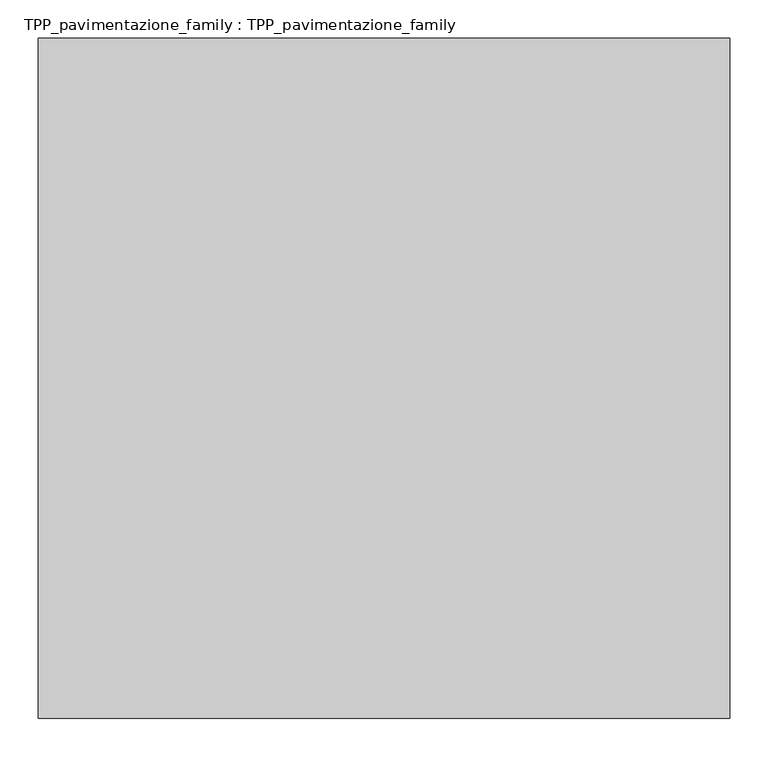
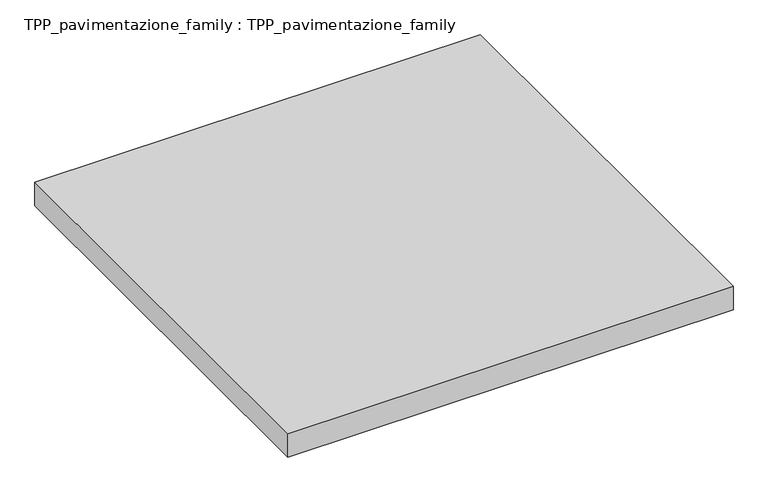
"""IFC4 building model written with IfcOpenShell, lengths in millimetres: proxy geometry, TPP_pavimentazione_family : TPP_pavimentazione_family."""

from ifc_helpers import new_model, si_unit, origin, origin_with_axes, place, context, project, spatial, polyline, outline, extrude, source, transform, mapped, element, save


def tpp_pavimentazione_family_tpp_pavimentazione_family_b8b304a2(model_context):
    return source(origin(), model_context, "Body", "SweptSolid", [
        extrude(outline(polyline([(511.8146187, 354.2201026), (511.8146187, -531.5498522), (-388.1763, -531.5498522), (-388.1763, 354.2201026), (511.8146187, 354.2201026)])), origin_with_axes(), (0.0, 0.0, 1.0), 50.0),
    ])


if __name__ == "__main__":
    model = new_model("IFC4")
    model_context = context("Model", 3, world=origin())
    ifc_project = project(units=[si_unit("LENGTHUNIT", "METRE", prefix="MILLI")], contexts=[model_context])
    site = spatial("IfcSite", under=ifc_project)
    building = spatial("IfcBuilding", under=site)
    placement = place(None, origin())
    tpp_pavimentazione_family_tpp_pavimentazione_family_shape = tpp_pavimentazione_family_tpp_pavimentazione_family_b8b304a2(model_context)
    element("IfcBuildingElementProxy", 1, Name="TPP_pavimentazione_family : TPP_pavimentazione_family", ObjectType="TPP_pavimentazione_family : TPP_pavimentazione_family", at=placement, inside=building, context=model_context, shape_type="MappedRepresentation", body=[
        mapped(tpp_pavimentazione_family_tpp_pavimentazione_family_shape, transform((0.0, 0.0, 0.0), x_axis=(1.0, 0.0, 0.0), y_axis=(0.0, 1.0, 0.0), z_axis=(0.0, 0.0, 1.0))),
    ])
    save(model, "model.ifc")
